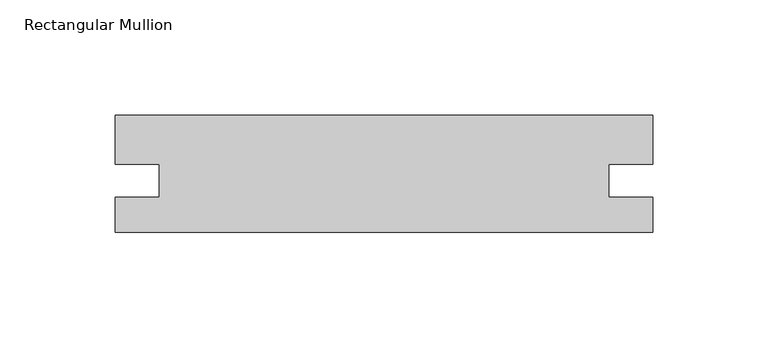
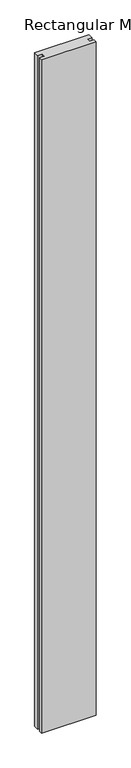
"""IFC4 building model written with IfcOpenShell, lengths in millimetres: member geometry, Rectangular Mullion."""

from ifc_helpers import new_model, si_unit, frame, origin, place, context, project, spatial, polyline, outline, extrude, source, transform, mapped, element, save


def rectangular_mullion_fa3b47de(model_context):
    return source(origin(), model_context, "Body", "SweptSolid", [
        extrude(outline(polyline([(0.0, -50.8), (-233.3481209, -50.8), (-233.3481209, -35.70097), (-214.3235209, -35.70097), (-214.3235209, -21.3880766), (-233.3481196, -21.3880766), (-233.3481196, 0.0), (-1.3e-06, 0.0), (-1.3e-06, -21.3880766), (-19.0246, -21.3880766), (-19.0246, -35.70097), (0.0, -35.70097), (0.0, -50.8)])), frame((0.0, 0.0, -3048.0), z_axis=(0.0, 0.0, 1.0), x_axis=(1.0, 0.0, 0.0)), (0.0, 0.0, 1.0), 3048.0),
    ])


if __name__ == "__main__":
    model = new_model("IFC4")
    model_context = context("Model", 3, world=origin())
    ifc_project = project(units=[si_unit("LENGTHUNIT", "METRE", prefix="MILLI")], contexts=[model_context])
    site = spatial("IfcSite", under=ifc_project)
    building = spatial("IfcBuilding", under=site)
    placement = place(None, origin())
    rectangular_mullion_shape = rectangular_mullion_fa3b47de(model_context)
    element("IfcMember", 1, ObjectType="Rectangular Mullion", at=placement, inside=building, context=model_context, shape_type="MappedRepresentation", body=[
        mapped(rectangular_mullion_shape, transform((0.0, 0.0, 0.0), x_axis=(1.0, 0.0, 0.0), y_axis=(0.0, 1.0, 0.0), z_axis=(0.0, 0.0, 1.0))),
    ])
    save(model, "model.ifc")
